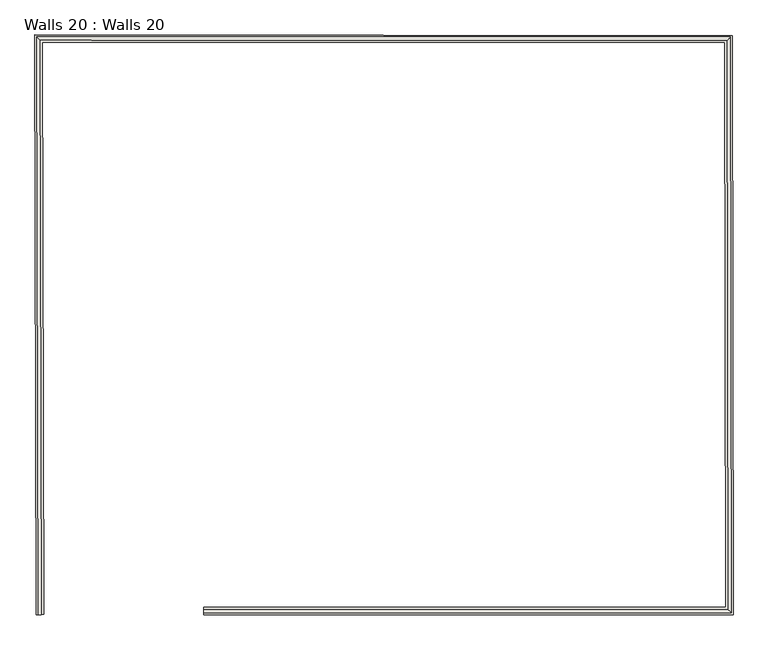
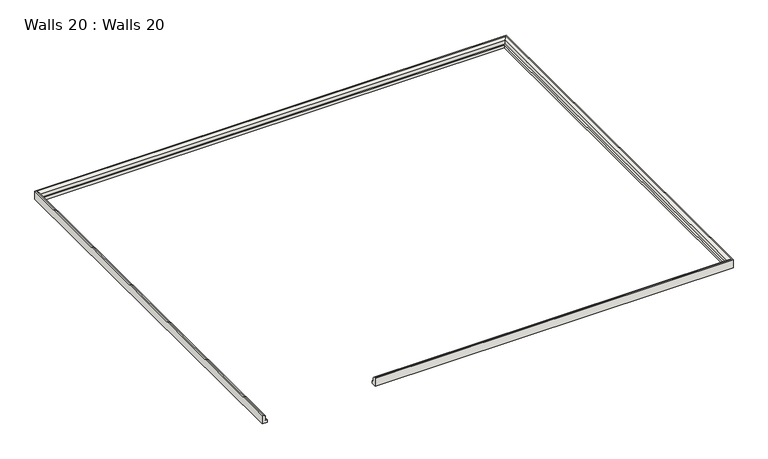
"""IFC4 building model written with IfcOpenShell, lengths in millimetres: wall geometry, Walls 20 : Walls 20."""

from ifc_helpers import new_model, si_unit, frame, origin, place, context, project, spatial, circle_curve, ellipse_curve, source, transform, mapped, element, save
from ifc_brep_helpers import plane_surface, cylinder_surface, advanced_brep


def walls_20_walls_20_f6787aa5(model_context):
    return source(origin(), model_context, "Body", "AdvancedBrep", [
        advanced_brep(
        [(-43538.5468646, 48979.8097783, 110876.633314), (-43538.5468646, 48996.919641, 110859.5234512), (-43538.5468646, 48996.919641, 110832.984505), (-43538.5468646, 49009.6909628, 110832.984505), (-43538.5468646, 49009.6909628, 110813.309821), (-43538.5468646, 48973.1136162, 110813.309821), (-43538.5468646, 48973.1136162, 110876.633314), (-40921.4312246, 48996.919641, 110859.5234512), (-40921.4312246, 48996.919641, 110832.984505), (-40926.1335233, 51837.3474957, 110832.984505), (-44355.8304559, 51840.5159523, 110832.984505), (-44348.6038712, 48973.6750159, 110832.984505), (-44335.83259, 48973.7072091, 110832.984505), (-44343.0268704, 51827.7327967, 110832.984505), (-40938.8837392, 51824.5879475, 110832.984505), (-40934.2237066, 49009.6909628, 110832.984505), (-40897.5857564, 48973.1136162, 110813.309821), (-40897.5857564, 48973.1136162, 110876.633314), (-40902.3668401, 51861.1315743, 110876.633314), (-44379.696621, 51864.3440356, 110876.633314), (-44372.4098204, 48973.6150071, 110876.633314), (-44365.7136796, 48973.6318864, 110876.633314), (-44372.9835426, 51857.6416689, 110876.633314), (-40909.0519361, 51854.4415852, 110876.633314), (-40904.2930131, 48979.8097783, 110876.633314), (-40926.1335233, 51837.3474957, 110859.5234512), (-40902.3668401, 51861.1315743, 110813.309821), (-44355.8304559, 51840.5159523, 110859.5234512), (-44379.696621, 51864.3440356, 110813.309821), (-44372.4098204, 48973.6150071, 110813.309821), (-44335.83259, 48973.7072091, 110813.309821), (-44348.6038712, 48973.6750159, 110859.5234512), (-40934.2237066, 49009.6909628, 110813.309821), (-40938.8837392, 51824.5879475, 110813.309821), (-44343.0268704, 51827.7327967, 110813.309821)],
        [
            (0, 1, circle_curve(frame((-43538.5468646, 48979.8097783, 110859.5234512), z_axis=(-1.0, 0.0, 0.0), x_axis=(0.0, 1.0, 0.0)), 17.1098628)),
            (1, 2),
            (2, 3),
            (3, 4),
            (4, 5),
            (5, 6),
            (6, 0),
            (1, 7),
            (7, 8),
            (8, 2),
            (8, 9),
            (9, 10),
            (10, 11),
            (11, 12),
            (12, 13),
            (13, 14),
            (14, 15),
            (15, 3),
            (5, 16),
            (16, 17),
            (17, 6),
            (17, 18),
            (18, 19),
            (19, 20),
            (20, 21),
            (21, 22),
            (22, 23),
            (23, 24),
            (24, 0),
            (7, 25),
            (25, 9),
            (16, 26),
            (26, 18),
            (25, 27),
            (27, 10),
            (26, 28),
            (28, 19),
            (20, 29),
            (29, 30),
            (30, 12),
            (11, 31),
            (31, 21, circle_curve(frame((-44365.7136796, 48973.6318864, 110859.5234512), z_axis=(0.002520740399416748, -0.9999968229288725, 0.0), x_axis=(0.9999968229288725, 0.002520740399416748, 0.0)), 17.1098628)),
            (27, 31),
            (28, 29),
            (24, 7, ellipse_curve(frame((-40904.2930131, 48979.8097783, 110859.5234512), z_axis=(-0.7065212355953294, -0.7076918422963833, 0.0), x_axis=(-0.7076918422963833, 0.7065212355953294, 0.0)), 24.2170538, 17.1098628)),
            (15, 32),
            (32, 4),
            (32, 33),
            (33, 34),
            (34, 30),
            (23, 25, ellipse_curve(frame((-40909.0519361, 51854.4415852, 110859.5234512), z_axis=(0.7073654141734623, -0.7068480535668227, 0.0), x_axis=(-0.7068480535668226, -0.7073654141734625, 0.0)), 24.1658544, 17.1098628)),
            (14, 33),
            (22, 27, ellipse_curve(frame((-44372.9835426, 51857.6416689, 110859.5234512), z_axis=(0.7065419616939935, 0.7076711498751405, 0.0), x_axis=(0.7076711498751402, -0.7065419616939935, 0.0)), 24.238782, 17.1098628)),
            (13, 34),
        ],
        [
            plane_surface(frame((-43538.5468646, 48973.6162742, 110770.0), z_axis=(-1.0, 0.0, 0.0), x_axis=(0.0, 0.0, 1.0))),
            plane_surface(frame((-43538.5468646, 48996.919641, 110859.5234512), z_axis=(0.0, 1.0, 0.0), x_axis=(1.0, 0.0, 0.0))),
            plane_surface(frame((-43538.5468646, 48996.919641, 110832.984505), z_axis=(0.0, 0.0, 1.0), x_axis=(1.0, 0.0, 0.0))),
            plane_surface(frame((-43538.5468646, 48973.1136162, 110813.309821), z_axis=(0.0, -1.0, 0.0), x_axis=(1.0, 0.0, 0.0))),
            plane_surface(frame((-43538.5468646, 48973.1136162, 110876.633314), z_axis=(0.0, 0.0, 1.0), x_axis=(1.0, 0.0, 0.0))),
            plane_surface(frame((-40921.4312246, 48996.919641, 110859.5234512), z_axis=(-0.9999986296799516, -0.0016554873056970384, 0.0), x_axis=(-0.0016554873056970384, 0.9999986296799516, 0.0))),
            plane_surface(frame((-40897.5857564, 48973.1136162, 110813.309821), z_axis=(0.9999986296799515, 0.001655487305696604, 0.0), x_axis=(-0.001655487305696604, 0.9999986296799515, 0.0))),
            plane_surface(frame((-40926.1335233, 51837.3474957, 110859.5234512), z_axis=(-0.0009238295276032476, -0.999999573269411, 0.0), x_axis=(-0.999999573269411, 0.0009238295276032476, 0.0))),
            plane_surface(frame((-40902.3668401, 51861.1315743, 110813.309821), z_axis=(0.0009238295276061925, 0.9999995732694109, 0.0), x_axis=(-0.9999995732694109, 0.0009238295276061925, 0.0))),
            plane_surface(frame((-44371.907164, 48973.6162742, 110770.0), z_axis=(0.0025207403994167476, -0.9999968229288725, 0.0), x_axis=(0.0, 0.0, 1.0))),
            plane_surface(frame((-44355.8304559, 51840.5159523, 110859.5234512), z_axis=(0.9999968229288725, 0.00252074039941544, 0.0), x_axis=(0.00252074039941544, -0.9999968229288725, 0.0))),
            plane_surface(frame((-44379.696621, 51864.3440356, 110813.309821), z_axis=(-0.9999968229288725, -0.002520740399416045, 0.0), x_axis=(0.002520740399416045, -0.9999968229288725, 0.0))),
            cylinder_surface(frame((-43538.5468646, 48979.8097783, 110859.5234512), z_axis=(-1.0, 0.0, 0.0), x_axis=(0.0, 1.0, 0.0)), 17.1098628),
            plane_surface(frame((-43538.5468646, 49009.6909628, 110832.984505), z_axis=(0.0, 1.0, 0.0), x_axis=(1.0, 0.0, 0.0))),
            plane_surface(frame((-43538.5468646, 49009.6909628, 110813.309821), z_axis=(0.0, 0.0, -1.0), x_axis=(1.0, 0.0, 0.0))),
            cylinder_surface(frame((-40904.2827429, 48973.6060209, 110859.5234512), z_axis=(0.001655487305697978, -0.9999986296799515, 0.0), x_axis=(-0.9999986296799515, -0.001655487305697978, 0.0)), 17.1098628),
            plane_surface(frame((-40934.2237066, 49009.6909628, 110832.984505), z_axis=(-0.9999986296799515, -0.0016554873056986695, 0.0), x_axis=(-0.0016554873056986695, 0.9999986296799515, 0.0))),
            cylinder_surface(frame((-40902.8743891, 51854.4358782, 110859.5234512), z_axis=(0.9999995732694109, -0.0009238295276049428, 0.0), x_axis=(-0.0009238295276049428, -0.9999995732694109, 0.0)), 17.1098628),
            plane_surface(frame((-40938.8837392, 51824.5879475, 110832.984505), z_axis=(-0.0009238295276070809, -0.9999995732694109, 0.0), x_axis=(-0.9999995732694109, 0.0009238295276070809, 0.0))),
            cylinder_surface(frame((-44372.9992087, 51863.856524, 110859.5234512), z_axis=(-0.002520740399416748, 0.9999968229288725, 0.0), x_axis=(0.9999968229288725, 0.002520740399416748, 0.0)), 17.1098628),
            plane_surface(frame((-44343.0268704, 51827.7327967, 110832.984505), z_axis=(0.9999968229288725, 0.002520740399415983, 0.0), x_axis=(0.002520740399415983, -0.9999968229288725, 0.0))),
        ],
        [
            (0, [[1, 2, 3, 4, 5, 6, 7]]),
            (1, [[-2, 8, 9, 10]]),
            (2, [[-3, -10, 11, 12, 13, 14, 15, 16, 17, 18]]),
            (3, [[-6, 19, 20, 21]]),
            (4, [[-7, -21, 22, 23, 24, 25, 26, 27, 28, 29]]),
            (5, [[-9, 30, 31, -11]]),
            (6, [[-20, 32, 33, -22]]),
            (7, [[-31, 34, 35, -12]]),
            (8, [[-33, 36, 37, -23]]),
            (9, [[-25, 38, 39, 40, -14, 41, 42]]),
            (10, [[-35, 43, -41, -13]]),
            (11, [[-37, 44, -38, -24]]),
            (12, [[-1, -29, 45, -8]]),
            (13, [[-4, -18, 46, 47]]),
            (14, [[-5, -47, 48, 49, 50, -39, -44, -36, -32, -19]]),
            (15, [[-45, -28, 51, -30]]),
            (16, [[-46, -17, 52, -48]]),
            (17, [[-51, -27, 53, -34]]),
            (18, [[-52, -16, 54, -49]]),
            (19, [[-53, -26, -42, -43]]),
            (20, [[-54, -15, -40, -50]]),
        ],
    ),
    ])


if __name__ == "__main__":
    model = new_model("IFC4")
    model_context = context("Model", 3, world=origin())
    ifc_project = project(units=[si_unit("LENGTHUNIT", "METRE", prefix="MILLI")], contexts=[model_context])
    site = spatial("IfcSite", under=ifc_project)
    building = spatial("IfcBuilding", under=site)
    placement = place(None, origin())
    walls_20_walls_20_shape = walls_20_walls_20_f6787aa5(model_context)
    element("IfcWall", 1, ObjectType="Walls 20 : Walls 20", at=placement, inside=building, context=model_context, shape_type="MappedRepresentation", body=[
        mapped(walls_20_walls_20_shape, transform((0.0, 0.0, 0.0), x_axis=(1.0, 0.0, 0.0), y_axis=(0.0, 1.0, 0.0), z_axis=(0.0, 0.0, 1.0))),
    ])
    save(model, "model.ifc")
